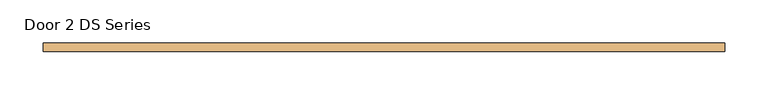
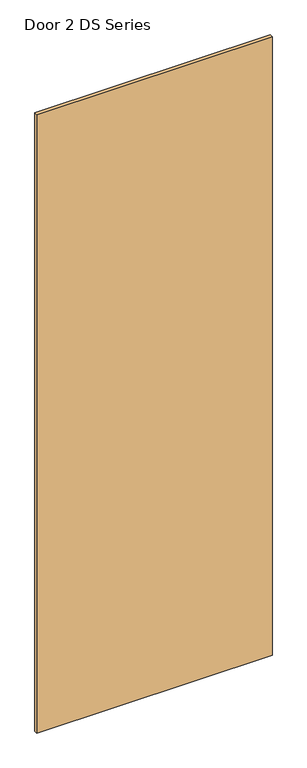
"""IFC4 building model written with IfcOpenShell, lengths in millimetres: door geometry, Door 2 DS Series."""

from ifc_helpers import new_model, si_unit, frame, origin, place, context, project, spatial, polyline, outline, extrude, source, transform, mapped, element, save


def door_2_ds_series_60f682a9(model_context):
    return source(origin(), model_context, "Body", "SweptSolid", [
        extrude(outline(polyline([(394.2650189, -5.0), (-394.2650189, -5.0), (-394.2650189, 5.0), (394.2650189, 5.0), (394.2650189, -5.0)])), frame((0.0, 0.0, 104.5748277), z_axis=(0.0, 0.0, 1.0), x_axis=(1.0, 0.0, 0.0)), (0.0, 0.0, 1.0), 2190.3238545),
    ])


if __name__ == "__main__":
    model = new_model("IFC4")
    model_context = context("Model", 3, world=origin())
    ifc_project = project(units=[si_unit("LENGTHUNIT", "METRE", prefix="MILLI")], contexts=[model_context])
    site = spatial("IfcSite", under=ifc_project)
    building = spatial("IfcBuilding", under=site)
    placement = place(None, origin())
    door_2_ds_series_shape = door_2_ds_series_60f682a9(model_context)
    element("IfcDoor", 1, ObjectType="Door 2 DS Series", at=placement, inside=building, context=model_context, shape_type="MappedRepresentation", body=[
        mapped(door_2_ds_series_shape, transform((0.0, 0.0, 0.0), x_axis=(1.0, 0.0, 0.0), y_axis=(0.0, 1.0, 0.0), z_axis=(0.0, 0.0, 1.0))),
    ])
    save(model, "model.ifc")
